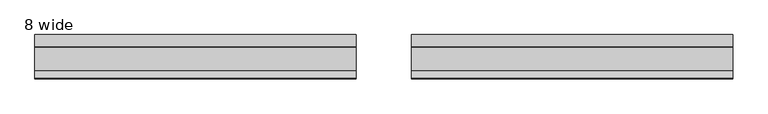
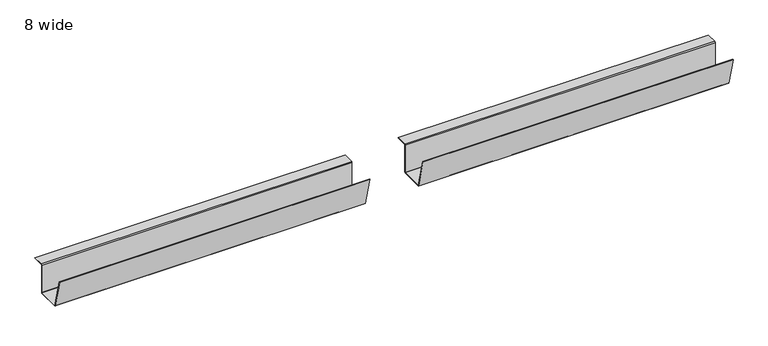
"""IFC4 building model written with IfcOpenShell, lengths in millimetres: furniture geometry, 8 wide."""

import ifcopenshell
import ifcopenshell.guid

model = None  # the IFC model being written
_history = None  # IfcOwnerHistory: only IFC2X3 demands one
_inside = {}  # id of a spatial element -> (the spatial element, [elements in it])
_under = {}  # id of a project, library or spatial element -> (it, [spatial elements below it])
_declared = {}  # id of a project -> (the project, [libraries it declares])
_typed = {}  # id of a type object -> (the type object, [elements of that type])
_made_of = {}  # id of a material, layer set ... -> (it, [elements and type objects made of it])


def new_model(schema):
    """Start an empty IFC model of exactly this schema.

    Asked for "IFC4X3", IfcOpenShell would pick the latest addendum, in which some entities
    have other attributes; the version numbers below select the first issue.
    IFC2X3 requires an IfcOwnerHistory on every rooted entity: one is made here for all.
    """
    global model, _history
    if schema == "IFC4X3":
        model = ifcopenshell.file(schema_version=(4, 3, 0, 0))
    else:
        model = ifcopenshell.file(schema=schema)
    _inside.clear()
    _under.clear()
    _declared.clear()
    _typed.clear()
    _made_of.clear()
    _history = None
    if model.schema == "IFC2X3":
        org = make("IfcOrganization", Name="unknown")
        user = make(
            "IfcPersonAndOrganization",
            ThePerson=make("IfcPerson", FamilyName="unknown"),
            TheOrganization=org,
        )
        app = make(
            "IfcApplication",
            ApplicationDeveloper=org,
            Version="unknown",
            ApplicationFullName="unknown",
            ApplicationIdentifier="unknown",
        )
        _history = make(
            "IfcOwnerHistory",
            OwningUser=user,
            OwningApplication=app,
            ChangeAction="ADDED",
            CreationDate=0,
        )
    return model


def make(cls, **values):
    """One entity of the class cls with the attributes given. An attribute that is None is left unset."""
    return model.create_entity(
        cls, **{name: value for name, value in values.items() if value is not None}
    )


def rooted(cls, **values):
    """An entity with a GlobalId (a new one), such as an element, a storey or a relation."""
    return make(cls, GlobalId=ifcopenshell.guid.new(), OwnerHistory=_history, **values)


def si_unit(unit_type, name, prefix=None):
    """IfcSIUnit, for example si_unit("LENGTHUNIT", "METRE", prefix="MILLI")."""
    return make("IfcSIUnit", UnitType=unit_type, Prefix=prefix, Name=name)


def assignment(units):
    """IfcUnitAssignment: the units of a project."""
    return None if units is None else make("IfcUnitAssignment", Units=units)


def point(xyz):
    """IfcCartesianPoint."""
    return None if xyz is None else make("IfcCartesianPoint", Coordinates=xyz)


def direction(xyz):
    """IfcDirection."""
    return None if xyz is None else make("IfcDirection", DirectionRatios=xyz)


def frame(location, z_axis=None, x_axis=None):
    """IfcAxis2Placement3D, a coordinate frame: its origin and axes. An axis left out is left unset."""
    return make(
        "IfcAxis2Placement3D",
        Location=point(location),
        Axis=direction(z_axis),
        RefDirection=direction(x_axis),
    )


def origin():
    """The frame at (0, 0, 0) with its axes left unset."""
    return frame((0.0, 0.0, 0.0))


def place(relative_to, where):
    """IfcLocalPlacement: puts the frame where relative to a parent placement (None: the world)."""
    return make(
        "IfcLocalPlacement", PlacementRelTo=relative_to, RelativePlacement=where
    )


def context(
    kind, dimensions, precision=None, world=None, true_north=None, identifier=None
):
    """IfcGeometricRepresentationContext, for example the 3D "Model" context."""
    return make(
        "IfcGeometricRepresentationContext",
        ContextIdentifier=identifier,
        ContextType=kind,
        CoordinateSpaceDimension=dimensions,
        Precision=precision,
        WorldCoordinateSystem=world,
        TrueNorth=true_north,
    )


def project(units=None, contexts=None):
    """IfcProject with its units and contexts."""
    return rooted(
        "IfcProject",
        Name="project",
        RepresentationContexts=contexts,
        UnitsInContext=assignment(units),
    )


def spatial(cls, under=None, at=None, **own):
    """A site, building, storey or space (cls), placed at a placement, below another one or the project."""
    s = rooted(cls, ObjectPlacement=at, **own)
    if under is not None:
        _under.setdefault(under.id(), (under, []))[1].append(s)
    return s


def polyline(points):
    """IfcPolyline through the points."""
    return make("IfcPolyline", Points=[point(p) for p in points])


def outline(outer, holes=None, kind="AREA"):
    """IfcArbitraryClosedProfileDef: a profile drawn as a closed curve; with holes, ...WithVoids."""
    if holes is None:
        return make("IfcArbitraryClosedProfileDef", ProfileType=kind, OuterCurve=outer)
    return make(
        "IfcArbitraryProfileDefWithVoids",
        ProfileType=kind,
        OuterCurve=outer,
        InnerCurves=holes,
    )


def extrude(swept, where, along, depth):
    """IfcExtrudedAreaSolid: the profile swept, set in the frame where, extruded along a direction by depth."""
    return make(
        "IfcExtrudedAreaSolid",
        SweptArea=swept,
        Position=where,
        ExtrudedDirection=direction(along),
        Depth=depth,
    )


def shape(context_of_items, identifier, shape_type, items):
    """IfcShapeRepresentation: the items that make up one representation, for example the "Body"."""
    return make(
        "IfcShapeRepresentation",
        ContextOfItems=context_of_items,
        RepresentationIdentifier=identifier,
        RepresentationType=shape_type,
        Items=items,
    )


def source(mapping_origin, context_of_items, identifier, shape_type, items):
    """IfcRepresentationMap: a shape defined once, which mapped items show again and again."""
    return make(
        "IfcRepresentationMap",
        MappingOrigin=mapping_origin,
        MappedRepresentation=shape(context_of_items, identifier, shape_type, items),
    )


def transform(
    local_origin,
    x_axis=None,
    y_axis=None,
    z_axis=None,
    scale=None,
    scale2=None,
    scale3=None,
    uniform=True,
):
    """IfcCartesianTransformationOperator3D, or its non-uniform kind. x_axis, y_axis, z_axis: its Axis1, 2, 3."""
    if uniform:
        return make(
            "IfcCartesianTransformationOperator3D",
            Axis1=direction(x_axis),
            Axis2=direction(y_axis),
            LocalOrigin=point(local_origin),
            Scale=scale,
            Axis3=direction(z_axis),
        )
    return make(
        "IfcCartesianTransformationOperator3DnonUniform",
        Axis1=direction(x_axis),
        Axis2=direction(y_axis),
        LocalOrigin=point(local_origin),
        Scale=scale,
        Axis3=direction(z_axis),
        Scale2=scale2,
        Scale3=scale3,
    )


def mapped(mapping_source, mapping_target):
    """IfcMappedItem: shows the shape of a source again, moved by a transform."""
    return make(
        "IfcMappedItem", MappingSource=mapping_source, MappingTarget=mapping_target
    )


def made_of(thing, what):
    """Note that an element or type object is made of a material, layer set ...; save() writes the relation."""
    if what is not None:
        _made_of.setdefault(what.id(), (what, []))[1].append(thing)
    return thing


def element(
    cls,
    number,
    at=None,
    inside=None,
    cuts=None,
    type_object=None,
    material=None,
    context=None,
    identifier="Body",
    shape_type=None,
    held_by="IfcProductDefinitionShape",
    body=None,
    shapes=None,
    **own,
):
    """One element of the class cls, such as IfcWall. Its Tag is "e" and its number.

    at: its placement. inside: the storey or other place that contains it. cuts: it is an
    opening in that element (IfcRelVoidsElement). A single representation is given by context,
    identifier, shape_type and body (its items); several are given by shapes. held_by: the class
    of the entity that holds the representations. save() writes the other relations.
    """
    e = rooted(cls, Tag="e%d" % number, ObjectPlacement=at, **own)
    if body is not None:
        shapes = [shape(context, identifier, shape_type, body)]
    if shapes is not None:
        e.Representation = make(held_by, Representations=shapes)
    if inside is not None:
        _inside.setdefault(inside.id(), (inside, []))[1].append(e)
    if cuts is not None:
        rooted(
            "IfcRelVoidsElement", RelatingBuildingElement=cuts, RelatedOpeningElement=e
        )
    if type_object is not None:
        _typed.setdefault(type_object.id(), (type_object, []))[1].append(e)
    return made_of(e, material)


def aggregate(whole, parts):
    """IfcRelAggregates: a whole, such as a stair, and the parts it consists of."""
    return rooted("IfcRelAggregates", RelatingObject=whole, RelatedObjects=parts)


def save(model, path):
    """Write the relations noted so far, then the file.

    IfcRelAggregates (storeys below a building ...), IfcRelContainedInSpatialStructure (elements
    in a storey), IfcRelDefinesByType, IfcRelAssociatesMaterial and IfcRelDeclares: one each for
    every whole, place, type object, material and project.
    """
    for whole, parts in _under.values():
        aggregate(whole, parts)
    for where, things in _inside.values():
        rooted(
            "IfcRelContainedInSpatialStructure",
            RelatedElements=things,
            RelatingStructure=where,
        )
    for kind, things in _typed.values():
        rooted("IfcRelDefinesByType", RelatedObjects=things, RelatingType=kind)
    for what, things in _made_of.values():
        rooted("IfcRelAssociatesMaterial", RelatedObjects=things, RelatingMaterial=what)
    for by, libraries in _declared.values():
        rooted("IfcRelDeclares", RelatingContext=by, RelatedDefinitions=libraries)
    model.write(path)


def furniture_8_wide_390acfbb(model_context):
    return source(origin(), model_context, "Body", "SweptSolid", [
        extrude(outline(polyline([(-316.7585724, 502.8984097), (-291.4505128, 403.0435825), (-290.6851639, 402.4480004), (-215.54987, 402.4480004), (-214.7598564, 403.2379958), (-214.7598564, 500.2099837), (-212.4458625, 502.524014), (-174.7598634, 502.524014), (-174.7598634, 501.0000154), (-212.4458625, 501.0000154), (-213.2358579, 500.2099837), (-213.2358579, 403.2379958), (-215.54987, 400.9240019), (-290.6851639, 400.9240019), (-292.9284047, 402.6696189), (-318.2358805, 502.524014), (-316.7585724, 502.8984097)])), frame((1308.350009, 0.0, 0.0), z_axis=(1.0, 0.0, 0.0), x_axis=(0.0, 1.0, 0.0)), (0.0, 0.0, 1.0), 1040.8919909),
        extrude(outline(polyline([(-316.7585724, 502.8984097), (-291.4505128, 403.0435825), (-290.6851639, 402.4480004), (-215.54987, 402.4480004), (-214.7598564, 403.2379958), (-214.7598564, 500.2099837), (-212.4458625, 502.524014), (-174.7598634, 502.524014), (-174.7598634, 501.0000154), (-212.4458625, 501.0000154), (-213.2358579, 500.2099837), (-213.2358579, 403.2379958), (-215.54987, 400.9240019), (-290.6851639, 400.9240019), (-292.9284047, 402.6696189), (-318.2358805, 502.524014), (-316.7585724, 502.8984097)])), frame((89.1499999, 0.0, 0.0), z_axis=(1.0, 0.0, 0.0), x_axis=(0.0, 1.0, 0.0)), (0.0, 0.0, 1.0), 1040.8919909),
    ])


if __name__ == "__main__":
    model = new_model("IFC4")
    model_context = context("Model", 3, world=origin())
    ifc_project = project(units=[si_unit("LENGTHUNIT", "METRE", prefix="MILLI")], contexts=[model_context])
    site = spatial("IfcSite", under=ifc_project)
    building = spatial("IfcBuilding", under=site)
    placement = place(None, origin())
    furniture_8_wide_shape = furniture_8_wide_390acfbb(model_context)
    element("IfcFurniture", 1, ObjectType="8 wide", at=placement, inside=building, context=model_context, shape_type="MappedRepresentation", body=[
        mapped(furniture_8_wide_shape, transform((0.0, 0.0, 0.0), x_axis=(1.0, 0.0, 0.0), y_axis=(0.0, 1.0, 0.0), z_axis=(0.0, 0.0, 1.0))),
    ])
    save(model, "model.ifc")
